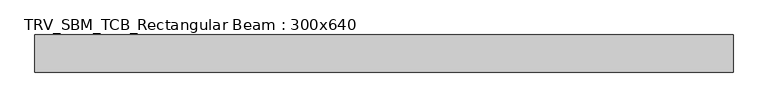
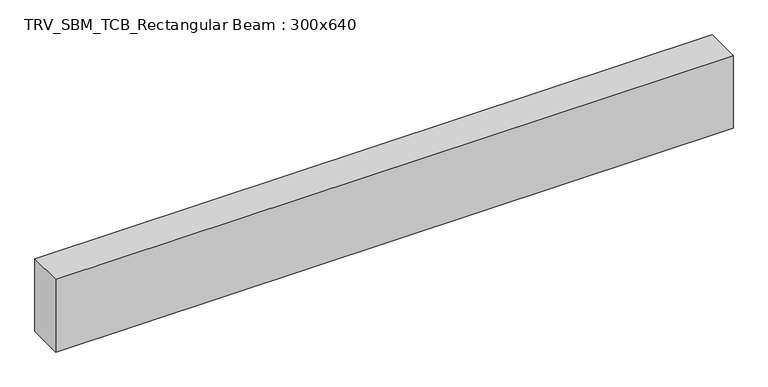
"""IFC4 building model written with IfcOpenShell, lengths in millimetres: beam geometry, TRV_SBM_TCB_Rectangular Beam : 300x640."""

from ifc_helpers import new_model, si_unit, frame, origin, place, context, project, spatial, polyline, outline, extrude, source, transform, mapped, element, save


def trv_sbm_tcb_rectangular_beam_300x640_b54f7885(model_context):
    return source(origin(), model_context, "Body", "SweptSolid", [
        extrude(outline(polyline([(2823.2, 150.0), (2823.2, -150.0), (-2823.2, -150.0), (-2823.2, 150.0), (2823.2, 150.0)])), frame((0.0, 0.0, -320.0), z_axis=(0.0, 0.0, 1.0), x_axis=(1.0, 0.0, 0.0)), (0.0, 0.0, 1.0), 640.0),
    ])


if __name__ == "__main__":
    model = new_model("IFC4")
    model_context = context("Model", 3, world=origin())
    ifc_project = project(units=[si_unit("LENGTHUNIT", "METRE", prefix="MILLI")], contexts=[model_context])
    site = spatial("IfcSite", under=ifc_project)
    building = spatial("IfcBuilding", under=site)
    placement = place(None, origin())
    trv_sbm_tcb_rectangular_beam_300x640_shape = trv_sbm_tcb_rectangular_beam_300x640_b54f7885(model_context)
    element("IfcBeam", 1, ObjectType="TRV_SBM_TCB_Rectangular Beam : 300x640", at=placement, inside=building, context=model_context, shape_type="MappedRepresentation", body=[
        mapped(trv_sbm_tcb_rectangular_beam_300x640_shape, transform((0.0, 0.0, 0.0), x_axis=(1.0, 0.0, 0.0), y_axis=(0.0, 1.0, 0.0), z_axis=(0.0, 0.0, 1.0))),
    ])
    save(model, "model.ifc")
